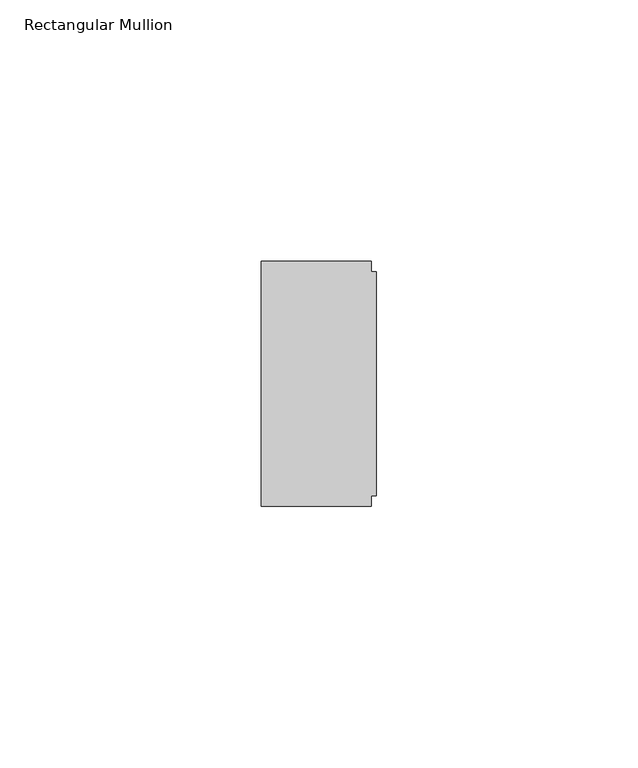
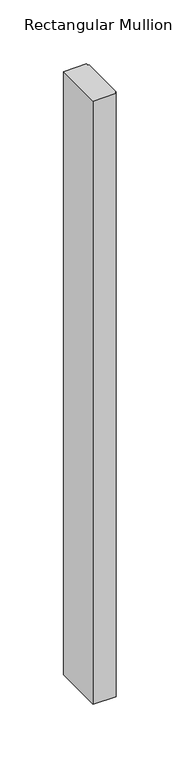
"""IFC4 building model written with IfcOpenShell, lengths in millimetres: member geometry, Rectangular Mullion."""

from ifc_helpers import new_model, si_unit, frame, origin, place, context, project, spatial, polyline, outline, extrude, source, transform, mapped, element, save


def rectangular_mullion_eaff6452(model_context):
    return source(origin(), model_context, "Body", "SweptSolid", [
        extrude(outline(polyline([(-1.0, 23.4), (-1.0, 21.4), (0.0, 21.4), (0.0, -21.4), (-1.0, -21.4), (-1.0, -23.4), (-22.0, -23.4), (-22.0, 23.4), (-1.0, 23.4)])), frame((0.0, 0.0, -579.6), z_axis=(0.0, 0.0, 1.0), x_axis=(1.0, 0.0, 0.0)), (0.0, 0.0, 1.0), 579.6),
    ])


if __name__ == "__main__":
    model = new_model("IFC4")
    model_context = context("Model", 3, world=origin())
    ifc_project = project(units=[si_unit("LENGTHUNIT", "METRE", prefix="MILLI")], contexts=[model_context])
    site = spatial("IfcSite", under=ifc_project)
    building = spatial("IfcBuilding", under=site)
    placement = place(None, origin())
    rectangular_mullion_shape = rectangular_mullion_eaff6452(model_context)
    element("IfcMember", 1, ObjectType="Rectangular Mullion", at=placement, inside=building, context=model_context, shape_type="MappedRepresentation", body=[
        mapped(rectangular_mullion_shape, transform((0.0, 0.0, 0.0), x_axis=(1.0, 0.0, 0.0), y_axis=(0.0, 1.0, 0.0), z_axis=(0.0, 0.0, 1.0))),
    ])
    save(model, "model.ifc")
